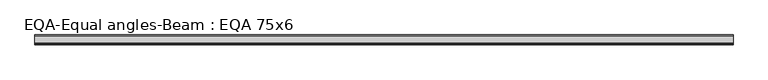
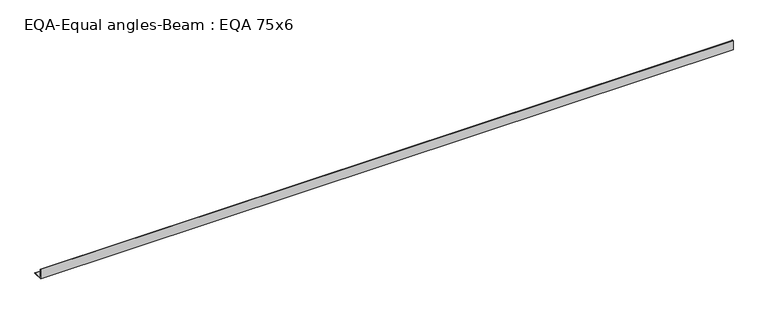
"""IFC4 building model written with IfcOpenShell, lengths in millimetres: beam geometry, EQA-Equal angles-Beam : EQA 75x6."""

from ifc_helpers import new_model, si_unit, point, frame, frame_2d, origin, place, context, project, spatial, polyline, circle_curve, trimmed, segment, composite_curve, outline, extrude, source, transform, mapped, element, save


def eqa_equal_angles_beam_eqa_75x6_14b1b34c(model_context):
    return source(origin(), model_context, "Body", "SweptSolid", [
        extrude(outline(composite_curve([segment(polyline([(-20.5, -20.5), (-20.5, 54.5), (-19.0, 54.5)]), True, "CONTINUOUS"), segment(trimmed(circle_curve(frame_2d((-19.0, 50.0)), 4.5), [point((-19.0, 54.5))], [point((-14.5, 50.0))], False, "CARTESIAN"), True, "CONTINUOUS"), segment(polyline([(-14.5, 50.0), (-14.5, -5.5)]), True, "CONTINUOUS"), segment(trimmed(circle_curve(frame_2d((-5.5, -5.5)), 9.0), [point((-14.5, -5.5))], [point((-5.5, -14.5))], True, "CARTESIAN"), True, "CONTINUOUS"), segment(polyline([(-5.5, -14.5), (50.0, -14.5)]), True, "CONTINUOUS"), segment(trimmed(circle_curve(frame_2d((50.0, -19.0)), 4.5), [point((50.0, -14.5))], [point((54.5, -19.0))], False, "CARTESIAN"), True, "CONTINUOUS"), segment(polyline([(54.5, -19.0), (54.5, -20.5), (-20.5, -20.5)]), True, "CONTINUOUS")], self_intersect=False)), frame((-2653.030422, 0.0, 0.0), z_axis=(1.0, 0.0, 0.0), x_axis=(0.0, 1.0, 0.0)), (0.0, 0.0, 1.0), 5272.0807726),
    ])


if __name__ == "__main__":
    model = new_model("IFC4")
    model_context = context("Model", 3, world=origin())
    ifc_project = project(units=[si_unit("LENGTHUNIT", "METRE", prefix="MILLI")], contexts=[model_context])
    site = spatial("IfcSite", under=ifc_project)
    building = spatial("IfcBuilding", under=site)
    placement = place(None, origin())
    eqa_equal_angles_beam_eqa_75x6_shape = eqa_equal_angles_beam_eqa_75x6_14b1b34c(model_context)
    element("IfcBeam", 1, ObjectType="EQA-Equal angles-Beam : EQA 75x6", at=placement, inside=building, context=model_context, shape_type="MappedRepresentation", body=[
        mapped(eqa_equal_angles_beam_eqa_75x6_shape, transform((0.0, 0.0, 0.0), x_axis=(1.0, 0.0, 0.0), y_axis=(0.0, 1.0, 0.0), z_axis=(0.0, 0.0, 1.0))),
    ])
    save(model, "model.ifc")
